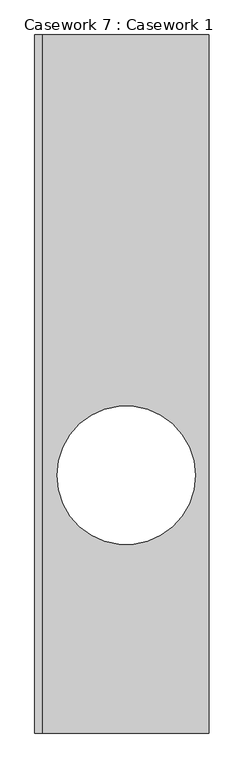
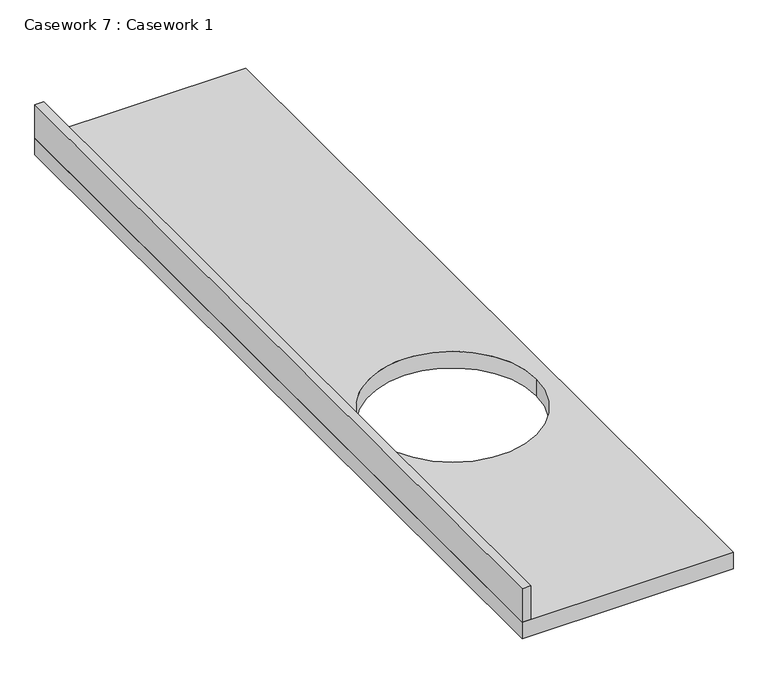
"""IFC4 building model written with IfcOpenShell, lengths in millimetres: furniture geometry, Casework 7 : Casework 1."""

import ifcopenshell
import ifcopenshell.guid

model = None  # the IFC model being written
_history = None  # IfcOwnerHistory: only IFC2X3 demands one
_inside = {}  # id of a spatial element -> (the spatial element, [elements in it])
_under = {}  # id of a project, library or spatial element -> (it, [spatial elements below it])
_declared = {}  # id of a project -> (the project, [libraries it declares])
_typed = {}  # id of a type object -> (the type object, [elements of that type])
_made_of = {}  # id of a material, layer set ... -> (it, [elements and type objects made of it])


def new_model(schema):
    """Start an empty IFC model of exactly this schema.

    Asked for "IFC4X3", IfcOpenShell would pick the latest addendum, in which some entities
    have other attributes; the version numbers below select the first issue.
    IFC2X3 requires an IfcOwnerHistory on every rooted entity: one is made here for all.
    """
    global model, _history
    if schema == "IFC4X3":
        model = ifcopenshell.file(schema_version=(4, 3, 0, 0))
    else:
        model = ifcopenshell.file(schema=schema)
    _inside.clear()
    _under.clear()
    _declared.clear()
    _typed.clear()
    _made_of.clear()
    _history = None
    if model.schema == "IFC2X3":
        org = make("IfcOrganization", Name="unknown")
        user = make(
            "IfcPersonAndOrganization",
            ThePerson=make("IfcPerson", FamilyName="unknown"),
            TheOrganization=org,
        )
        app = make(
            "IfcApplication",
            ApplicationDeveloper=org,
            Version="unknown",
            ApplicationFullName="unknown",
            ApplicationIdentifier="unknown",
        )
        _history = make(
            "IfcOwnerHistory",
            OwningUser=user,
            OwningApplication=app,
            ChangeAction="ADDED",
            CreationDate=0,
        )
    return model


def make(cls, **values):
    """One entity of the class cls with the attributes given. An attribute that is None is left unset."""
    return model.create_entity(
        cls, **{name: value for name, value in values.items() if value is not None}
    )


def rooted(cls, **values):
    """An entity with a GlobalId (a new one), such as an element, a storey or a relation."""
    return make(cls, GlobalId=ifcopenshell.guid.new(), OwnerHistory=_history, **values)


def si_unit(unit_type, name, prefix=None):
    """IfcSIUnit, for example si_unit("LENGTHUNIT", "METRE", prefix="MILLI")."""
    return make("IfcSIUnit", UnitType=unit_type, Prefix=prefix, Name=name)


def assignment(units):
    """IfcUnitAssignment: the units of a project."""
    return None if units is None else make("IfcUnitAssignment", Units=units)


def point(xyz):
    """IfcCartesianPoint."""
    return None if xyz is None else make("IfcCartesianPoint", Coordinates=xyz)


def direction(xyz):
    """IfcDirection."""
    return None if xyz is None else make("IfcDirection", DirectionRatios=xyz)


def frame(location, z_axis=None, x_axis=None):
    """IfcAxis2Placement3D, a coordinate frame: its origin and axes. An axis left out is left unset."""
    return make(
        "IfcAxis2Placement3D",
        Location=point(location),
        Axis=direction(z_axis),
        RefDirection=direction(x_axis),
    )


def frame_2d(location, x_axis=None):
    """IfcAxis2Placement2D, a coordinate frame in the plane: its origin and x axis."""
    return make(
        "IfcAxis2Placement2D", Location=point(location), RefDirection=direction(x_axis)
    )


def origin():
    """The frame at (0, 0, 0) with its axes left unset."""
    return frame((0.0, 0.0, 0.0))


def place(relative_to, where):
    """IfcLocalPlacement: puts the frame where relative to a parent placement (None: the world)."""
    return make(
        "IfcLocalPlacement", PlacementRelTo=relative_to, RelativePlacement=where
    )


def context(
    kind, dimensions, precision=None, world=None, true_north=None, identifier=None
):
    """IfcGeometricRepresentationContext, for example the 3D "Model" context."""
    return make(
        "IfcGeometricRepresentationContext",
        ContextIdentifier=identifier,
        ContextType=kind,
        CoordinateSpaceDimension=dimensions,
        Precision=precision,
        WorldCoordinateSystem=world,
        TrueNorth=true_north,
    )


def project(units=None, contexts=None):
    """IfcProject with its units and contexts."""
    return rooted(
        "IfcProject",
        Name="project",
        RepresentationContexts=contexts,
        UnitsInContext=assignment(units),
    )


def spatial(cls, under=None, at=None, **own):
    """A site, building, storey or space (cls), placed at a placement, below another one or the project."""
    s = rooted(cls, ObjectPlacement=at, **own)
    if under is not None:
        _under.setdefault(under.id(), (under, []))[1].append(s)
    return s


def polyline(points):
    """IfcPolyline through the points."""
    return make("IfcPolyline", Points=[point(p) for p in points])


def circle_curve(where, radius):
    """IfcCircle in the frame where."""
    return make("IfcCircle", Position=where, Radius=radius)


def trimmed(basis, trim1, trim2, sense, master):
    """IfcTrimmedCurve: the piece of a basis curve between two trims."""
    return make(
        "IfcTrimmedCurve",
        BasisCurve=basis,
        Trim1=trim1,
        Trim2=trim2,
        SenseAgreement=sense,
        MasterRepresentation=master,
    )


def segment(curve, same_sense, transition):
    """IfcCompositeCurveSegment."""
    return make(
        "IfcCompositeCurveSegment",
        Transition=transition,
        SameSense=same_sense,
        ParentCurve=curve,
    )


def composite_curve(segments, self_intersect=None):
    """IfcCompositeCurve: segments joined end to end."""
    return make("IfcCompositeCurve", Segments=segments, SelfIntersect=self_intersect)


def outline(outer, holes=None, kind="AREA"):
    """IfcArbitraryClosedProfileDef: a profile drawn as a closed curve; with holes, ...WithVoids."""
    if holes is None:
        return make("IfcArbitraryClosedProfileDef", ProfileType=kind, OuterCurve=outer)
    return make(
        "IfcArbitraryProfileDefWithVoids",
        ProfileType=kind,
        OuterCurve=outer,
        InnerCurves=holes,
    )


def extrude(swept, where, along, depth):
    """IfcExtrudedAreaSolid: the profile swept, set in the frame where, extruded along a direction by depth."""
    return make(
        "IfcExtrudedAreaSolid",
        SweptArea=swept,
        Position=where,
        ExtrudedDirection=direction(along),
        Depth=depth,
    )


def shape(context_of_items, identifier, shape_type, items):
    """IfcShapeRepresentation: the items that make up one representation, for example the "Body"."""
    return make(
        "IfcShapeRepresentation",
        ContextOfItems=context_of_items,
        RepresentationIdentifier=identifier,
        RepresentationType=shape_type,
        Items=items,
    )


def source(mapping_origin, context_of_items, identifier, shape_type, items):
    """IfcRepresentationMap: a shape defined once, which mapped items show again and again."""
    return make(
        "IfcRepresentationMap",
        MappingOrigin=mapping_origin,
        MappedRepresentation=shape(context_of_items, identifier, shape_type, items),
    )


def transform(
    local_origin,
    x_axis=None,
    y_axis=None,
    z_axis=None,
    scale=None,
    scale2=None,
    scale3=None,
    uniform=True,
):
    """IfcCartesianTransformationOperator3D, or its non-uniform kind. x_axis, y_axis, z_axis: its Axis1, 2, 3."""
    if uniform:
        return make(
            "IfcCartesianTransformationOperator3D",
            Axis1=direction(x_axis),
            Axis2=direction(y_axis),
            LocalOrigin=point(local_origin),
            Scale=scale,
            Axis3=direction(z_axis),
        )
    return make(
        "IfcCartesianTransformationOperator3DnonUniform",
        Axis1=direction(x_axis),
        Axis2=direction(y_axis),
        LocalOrigin=point(local_origin),
        Scale=scale,
        Axis3=direction(z_axis),
        Scale2=scale2,
        Scale3=scale3,
    )


def mapped(mapping_source, mapping_target):
    """IfcMappedItem: shows the shape of a source again, moved by a transform."""
    return make(
        "IfcMappedItem", MappingSource=mapping_source, MappingTarget=mapping_target
    )


def made_of(thing, what):
    """Note that an element or type object is made of a material, layer set ...; save() writes the relation."""
    if what is not None:
        _made_of.setdefault(what.id(), (what, []))[1].append(thing)
    return thing


def element(
    cls,
    number,
    at=None,
    inside=None,
    cuts=None,
    type_object=None,
    material=None,
    context=None,
    identifier="Body",
    shape_type=None,
    held_by="IfcProductDefinitionShape",
    body=None,
    shapes=None,
    **own,
):
    """One element of the class cls, such as IfcWall. Its Tag is "e" and its number.

    at: its placement. inside: the storey or other place that contains it. cuts: it is an
    opening in that element (IfcRelVoidsElement). A single representation is given by context,
    identifier, shape_type and body (its items); several are given by shapes. held_by: the class
    of the entity that holds the representations. save() writes the other relations.
    """
    e = rooted(cls, Tag="e%d" % number, ObjectPlacement=at, **own)
    if body is not None:
        shapes = [shape(context, identifier, shape_type, body)]
    if shapes is not None:
        e.Representation = make(held_by, Representations=shapes)
    if inside is not None:
        _inside.setdefault(inside.id(), (inside, []))[1].append(e)
    if cuts is not None:
        rooted(
            "IfcRelVoidsElement", RelatingBuildingElement=cuts, RelatedOpeningElement=e
        )
    if type_object is not None:
        _typed.setdefault(type_object.id(), (type_object, []))[1].append(e)
    return made_of(e, material)


def aggregate(whole, parts):
    """IfcRelAggregates: a whole, such as a stair, and the parts it consists of."""
    return rooted("IfcRelAggregates", RelatingObject=whole, RelatedObjects=parts)


def save(model, path):
    """Write the relations noted so far, then the file.

    IfcRelAggregates (storeys below a building ...), IfcRelContainedInSpatialStructure (elements
    in a storey), IfcRelDefinesByType, IfcRelAssociatesMaterial and IfcRelDeclares: one each for
    every whole, place, type object, material and project.
    """
    for whole, parts in _under.values():
        aggregate(whole, parts)
    for where, things in _inside.values():
        rooted(
            "IfcRelContainedInSpatialStructure",
            RelatedElements=things,
            RelatingStructure=where,
        )
    for kind, things in _typed.values():
        rooted("IfcRelDefinesByType", RelatedObjects=things, RelatingType=kind)
    for what, things in _made_of.values():
        rooted("IfcRelAssociatesMaterial", RelatedObjects=things, RelatingMaterial=what)
    for by, libraries in _declared.values():
        rooted("IfcRelDeclares", RelatingContext=by, RelatedDefinitions=libraries)
    model.write(path)


def casework_7_casework_1_ef3e8441(model_context):
    return source(origin(), model_context, "Body", "SweptSolid", [
        extrude(outline(polyline([(159992.3194995, 10336.0664536), (159992.3194995, 7897.6664536), (159966.9194995, 7897.6664536), (159966.9194995, 10336.0664536), (159992.3194995, 10336.0664536)])), frame((0.0, 0.0, 914.4), z_axis=(0.0, 0.0, 1.0), x_axis=(1.0, 0.0, 0.0)), (0.0, 0.0, 1.0), 101.6),
        extrude(outline(polyline([(160576.5194995, 10336.0664536), (160576.5194995, 7897.6664536), (159966.9194995, 7897.6664536), (159966.9194995, 10336.0664536), (160576.5194995, 10336.0664536)]), holes=[composite_curve([segment(trimmed(circle_curve(frame_2d((160286.044351, 8797.7789536)), 241.88923), [point((160044.155121, 8797.7789536))], [point((160527.9335811, 8797.7789536))], True, "CARTESIAN"), True, "CONTINUOUS"), segment(trimmed(circle_curve(frame_2d((160286.044351, 8797.7789536)), 241.88923), [point((160527.9335811, 8797.7789536))], [point((160044.155121, 8797.7789536))], True, "CARTESIAN"), True, "CONTINUOUS")], self_intersect=False)]), frame((0.0, 0.0, 863.6), z_axis=(0.0, 0.0, 1.0), x_axis=(1.0, 0.0, 0.0)), (0.0, 0.0, 1.0), 50.8),
    ])


if __name__ == "__main__":
    model = new_model("IFC4")
    model_context = context("Model", 3, world=origin())
    ifc_project = project(units=[si_unit("LENGTHUNIT", "METRE", prefix="MILLI")], contexts=[model_context])
    site = spatial("IfcSite", under=ifc_project)
    building = spatial("IfcBuilding", under=site)
    placement = place(None, origin())
    casework_7_casework_1_shape = casework_7_casework_1_ef3e8441(model_context)
    element("IfcFurniture", 1, ObjectType="Casework 7 : Casework 1", at=placement, inside=building, context=model_context, shape_type="MappedRepresentation", body=[
        mapped(casework_7_casework_1_shape, transform((0.0, 0.0, 0.0), x_axis=(1.0, 0.0, 0.0), y_axis=(0.0, 1.0, 0.0), z_axis=(0.0, 0.0, 1.0))),
    ])
    save(model, "model.ifc")
